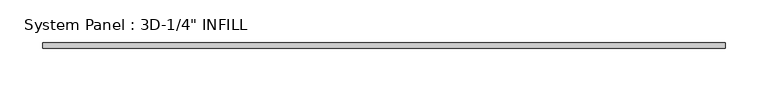
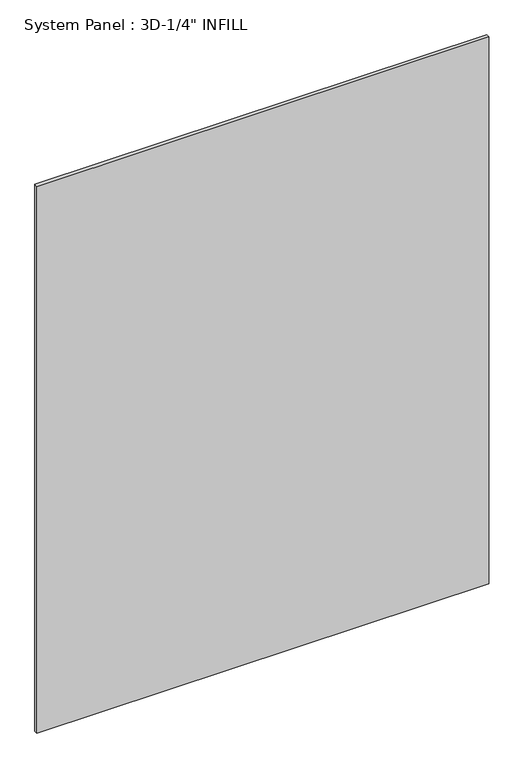
"""IFC4 building model written with IfcOpenShell, lengths in millimetres: plate geometry."""

from ifc_helpers import new_model, si_unit, origin, origin_with_axes, place, context, project, spatial, polyline, outline, extrude, source, transform, mapped, element, save


def plate_3eb1c1b2(model_context):
    return source(origin(), model_context, "Body", "SweptSolid", [
        extrude(outline(polyline([(400.4564, -3.175), (-400.4564, -3.175), (-400.4564, 3.175), (400.4564, 3.175), (400.4564, -3.175)])), origin_with_axes(), (0.0, 0.0, 1.0), 1024.5416877),
    ])


if __name__ == "__main__":
    model = new_model("IFC4")
    model_context = context("Model", 3, world=origin())
    ifc_project = project(units=[si_unit("LENGTHUNIT", "METRE", prefix="MILLI")], contexts=[model_context])
    site = spatial("IfcSite", under=ifc_project)
    building = spatial("IfcBuilding", under=site)
    placement = place(None, origin())
    plate_shape = plate_3eb1c1b2(model_context)
    element("IfcPlate", 1, ObjectType="System Panel : 3D-1/4\" INFILL", at=placement, inside=building, context=model_context, shape_type="MappedRepresentation", body=[
        mapped(plate_shape, transform((0.0, 0.0, 0.0), x_axis=(1.0, 0.0, 0.0), y_axis=(0.0, 1.0, 0.0), z_axis=(0.0, 0.0, 1.0))),
    ])
    save(model, "model.ifc")
